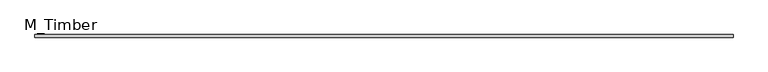
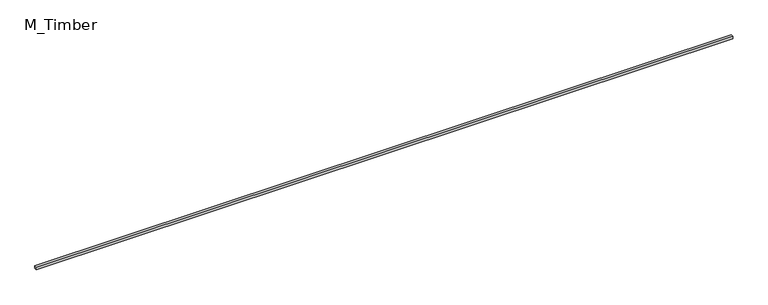
"""IFC4 building model written with IfcOpenShell, lengths in millimetres: beam geometry, M_Timber."""

from ifc_helpers import new_model, si_unit, frame, origin, place, context, project, spatial, polyline, outline, extrude, source, transform, mapped, element, save


def m_timber_61ea07b0(model_context):
    return source(origin(), model_context, "Body", "SweptSolid", [
        extrude(outline(polyline([(5314.2930135, 20.0), (5314.2930135, -20.0), (-5314.2930135, -20.0), (-5314.2930135, 20.0), (5314.2930135, 20.0)])), frame((0.0, 0.0, -20.0), z_axis=(0.0, 0.0, 1.0), x_axis=(1.0, 0.0, 0.0)), (0.0, 0.0, 1.0), 40.0),
    ])


if __name__ == "__main__":
    model = new_model("IFC4")
    model_context = context("Model", 3, world=origin())
    ifc_project = project(units=[si_unit("LENGTHUNIT", "METRE", prefix="MILLI")], contexts=[model_context])
    site = spatial("IfcSite", under=ifc_project)
    building = spatial("IfcBuilding", under=site)
    placement = place(None, origin())
    m_timber_shape = m_timber_61ea07b0(model_context)
    element("IfcBeam", 1, ObjectType="M_Timber", at=placement, inside=building, context=model_context, shape_type="MappedRepresentation", body=[
        mapped(m_timber_shape, transform((0.0, 0.0, 0.0), x_axis=(1.0, 0.0, 0.0), y_axis=(0.0, 1.0, 0.0), z_axis=(0.0, 0.0, 1.0))),
    ])
    save(model, "model.ifc")
